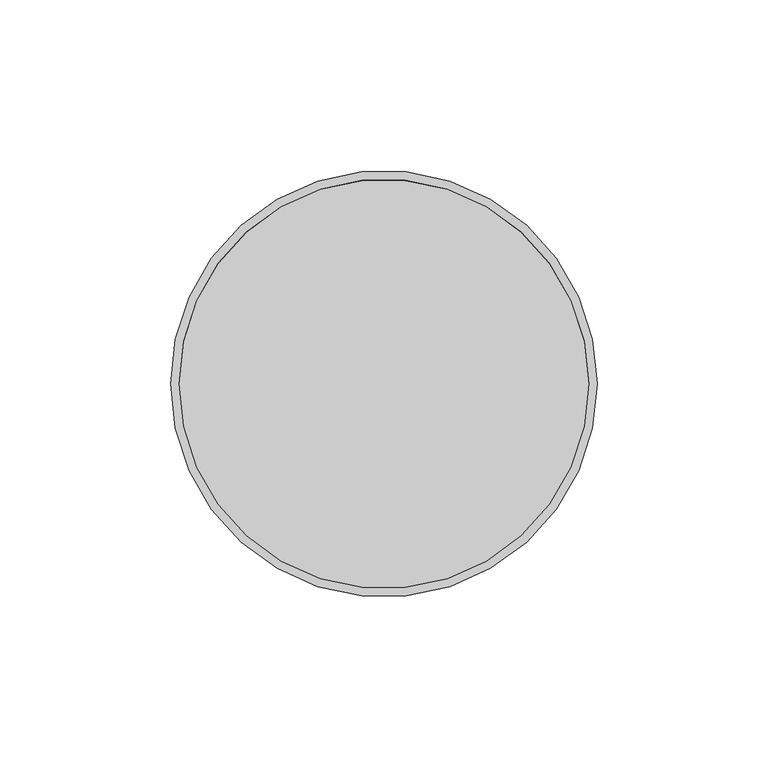
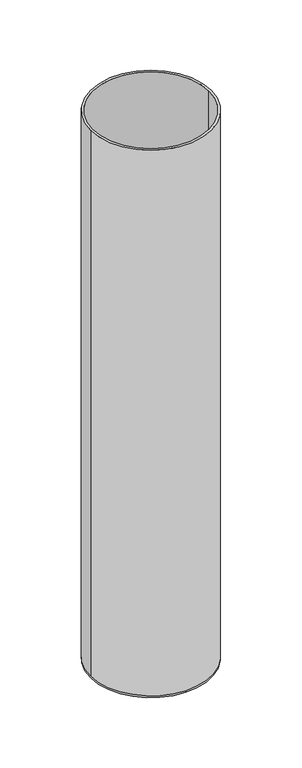
"""IFC4 building model written with IfcOpenShell, lengths in millimetres: beam geometry."""

import ifcopenshell
import ifcopenshell.guid

model = None  # the IFC model being written
_history = None  # IfcOwnerHistory: only IFC2X3 demands one
_inside = {}  # id of a spatial element -> (the spatial element, [elements in it])
_under = {}  # id of a project, library or spatial element -> (it, [spatial elements below it])
_declared = {}  # id of a project -> (the project, [libraries it declares])
_typed = {}  # id of a type object -> (the type object, [elements of that type])
_made_of = {}  # id of a material, layer set ... -> (it, [elements and type objects made of it])


def new_model(schema):
    """Start an empty IFC model of exactly this schema.

    Asked for "IFC4X3", IfcOpenShell would pick the latest addendum, in which some entities
    have other attributes; the version numbers below select the first issue.
    IFC2X3 requires an IfcOwnerHistory on every rooted entity: one is made here for all.
    """
    global model, _history
    if schema == "IFC4X3":
        model = ifcopenshell.file(schema_version=(4, 3, 0, 0))
    else:
        model = ifcopenshell.file(schema=schema)
    _inside.clear()
    _under.clear()
    _declared.clear()
    _typed.clear()
    _made_of.clear()
    _history = None
    if model.schema == "IFC2X3":
        org = make("IfcOrganization", Name="unknown")
        user = make(
            "IfcPersonAndOrganization",
            ThePerson=make("IfcPerson", FamilyName="unknown"),
            TheOrganization=org,
        )
        app = make(
            "IfcApplication",
            ApplicationDeveloper=org,
            Version="unknown",
            ApplicationFullName="unknown",
            ApplicationIdentifier="unknown",
        )
        _history = make(
            "IfcOwnerHistory",
            OwningUser=user,
            OwningApplication=app,
            ChangeAction="ADDED",
            CreationDate=0,
        )
    return model


def make(cls, **values):
    """One entity of the class cls with the attributes given. An attribute that is None is left unset."""
    return model.create_entity(
        cls, **{name: value for name, value in values.items() if value is not None}
    )


def rooted(cls, **values):
    """An entity with a GlobalId (a new one), such as an element, a storey or a relation."""
    return make(cls, GlobalId=ifcopenshell.guid.new(), OwnerHistory=_history, **values)


def si_unit(unit_type, name, prefix=None):
    """IfcSIUnit, for example si_unit("LENGTHUNIT", "METRE", prefix="MILLI")."""
    return make("IfcSIUnit", UnitType=unit_type, Prefix=prefix, Name=name)


def assignment(units):
    """IfcUnitAssignment: the units of a project."""
    return None if units is None else make("IfcUnitAssignment", Units=units)


def point(xyz):
    """IfcCartesianPoint."""
    return None if xyz is None else make("IfcCartesianPoint", Coordinates=xyz)


def direction(xyz):
    """IfcDirection."""
    return None if xyz is None else make("IfcDirection", DirectionRatios=xyz)


def frame(location, z_axis=None, x_axis=None):
    """IfcAxis2Placement3D, a coordinate frame: its origin and axes. An axis left out is left unset."""
    return make(
        "IfcAxis2Placement3D",
        Location=point(location),
        Axis=direction(z_axis),
        RefDirection=direction(x_axis),
    )


def origin():
    """The frame at (0, 0, 0) with its axes left unset."""
    return frame((0.0, 0.0, 0.0))


def place(relative_to, where):
    """IfcLocalPlacement: puts the frame where relative to a parent placement (None: the world)."""
    return make(
        "IfcLocalPlacement", PlacementRelTo=relative_to, RelativePlacement=where
    )


def context(
    kind, dimensions, precision=None, world=None, true_north=None, identifier=None
):
    """IfcGeometricRepresentationContext, for example the 3D "Model" context."""
    return make(
        "IfcGeometricRepresentationContext",
        ContextIdentifier=identifier,
        ContextType=kind,
        CoordinateSpaceDimension=dimensions,
        Precision=precision,
        WorldCoordinateSystem=world,
        TrueNorth=true_north,
    )


def project(units=None, contexts=None):
    """IfcProject with its units and contexts."""
    return rooted(
        "IfcProject",
        Name="project",
        RepresentationContexts=contexts,
        UnitsInContext=assignment(units),
    )


def spatial(cls, under=None, at=None, **own):
    """A site, building, storey or space (cls), placed at a placement, below another one or the project."""
    s = rooted(cls, ObjectPlacement=at, **own)
    if under is not None:
        _under.setdefault(under.id(), (under, []))[1].append(s)
    return s


def polyline(points):
    """IfcPolyline through the points."""
    return make("IfcPolyline", Points=[point(p) for p in points])


def circle_curve(where, radius):
    """IfcCircle in the frame where."""
    return make("IfcCircle", Position=where, Radius=radius)


def shape(context_of_items, identifier, shape_type, items):
    """IfcShapeRepresentation: the items that make up one representation, for example the "Body"."""
    return make(
        "IfcShapeRepresentation",
        ContextOfItems=context_of_items,
        RepresentationIdentifier=identifier,
        RepresentationType=shape_type,
        Items=items,
    )


def source(mapping_origin, context_of_items, identifier, shape_type, items):
    """IfcRepresentationMap: a shape defined once, which mapped items show again and again."""
    return make(
        "IfcRepresentationMap",
        MappingOrigin=mapping_origin,
        MappedRepresentation=shape(context_of_items, identifier, shape_type, items),
    )


def transform(
    local_origin,
    x_axis=None,
    y_axis=None,
    z_axis=None,
    scale=None,
    scale2=None,
    scale3=None,
    uniform=True,
):
    """IfcCartesianTransformationOperator3D, or its non-uniform kind. x_axis, y_axis, z_axis: its Axis1, 2, 3."""
    if uniform:
        return make(
            "IfcCartesianTransformationOperator3D",
            Axis1=direction(x_axis),
            Axis2=direction(y_axis),
            LocalOrigin=point(local_origin),
            Scale=scale,
            Axis3=direction(z_axis),
        )
    return make(
        "IfcCartesianTransformationOperator3DnonUniform",
        Axis1=direction(x_axis),
        Axis2=direction(y_axis),
        LocalOrigin=point(local_origin),
        Scale=scale,
        Axis3=direction(z_axis),
        Scale2=scale2,
        Scale3=scale3,
    )


def mapped(mapping_source, mapping_target):
    """IfcMappedItem: shows the shape of a source again, moved by a transform."""
    return make(
        "IfcMappedItem", MappingSource=mapping_source, MappingTarget=mapping_target
    )


def made_of(thing, what):
    """Note that an element or type object is made of a material, layer set ...; save() writes the relation."""
    if what is not None:
        _made_of.setdefault(what.id(), (what, []))[1].append(thing)
    return thing


def element(
    cls,
    number,
    at=None,
    inside=None,
    cuts=None,
    type_object=None,
    material=None,
    context=None,
    identifier="Body",
    shape_type=None,
    held_by="IfcProductDefinitionShape",
    body=None,
    shapes=None,
    **own,
):
    """One element of the class cls, such as IfcWall. Its Tag is "e" and its number.

    at: its placement. inside: the storey or other place that contains it. cuts: it is an
    opening in that element (IfcRelVoidsElement). A single representation is given by context,
    identifier, shape_type and body (its items); several are given by shapes. held_by: the class
    of the entity that holds the representations. save() writes the other relations.
    """
    e = rooted(cls, Tag="e%d" % number, ObjectPlacement=at, **own)
    if body is not None:
        shapes = [shape(context, identifier, shape_type, body)]
    if shapes is not None:
        e.Representation = make(held_by, Representations=shapes)
    if inside is not None:
        _inside.setdefault(inside.id(), (inside, []))[1].append(e)
    if cuts is not None:
        rooted(
            "IfcRelVoidsElement", RelatingBuildingElement=cuts, RelatedOpeningElement=e
        )
    if type_object is not None:
        _typed.setdefault(type_object.id(), (type_object, []))[1].append(e)
    return made_of(e, material)


def aggregate(whole, parts):
    """IfcRelAggregates: a whole, such as a stair, and the parts it consists of."""
    return rooted("IfcRelAggregates", RelatingObject=whole, RelatedObjects=parts)


def save(model, path):
    """Write the relations noted so far, then the file.

    IfcRelAggregates (storeys below a building ...), IfcRelContainedInSpatialStructure (elements
    in a storey), IfcRelDefinesByType, IfcRelAssociatesMaterial and IfcRelDeclares: one each for
    every whole, place, type object, material and project.
    """
    for whole, parts in _under.values():
        aggregate(whole, parts)
    for where, things in _inside.values():
        rooted(
            "IfcRelContainedInSpatialStructure",
            RelatedElements=things,
            RelatingStructure=where,
        )
    for kind, things in _typed.values():
        rooted("IfcRelDefinesByType", RelatedObjects=things, RelatingType=kind)
    for what, things in _made_of.values():
        rooted("IfcRelAssociatesMaterial", RelatedObjects=things, RelatingMaterial=what)
    for by, libraries in _declared.values():
        rooted("IfcRelDeclares", RelatingContext=by, RelatedDefinitions=libraries)
    model.write(path)


def plane_surface(at):
    """IfcPlane: the flat surface through the origin of the frame at, square to its z axis."""
    return make("IfcPlane", Position=at)


def cylinder_surface(at, radius):
    """IfcCylindricalSurface: all points at the distance radius from the z axis of the frame at."""
    return make("IfcCylindricalSurface", Position=at, Radius=radius)


def revolved_surface(curve, axis_point, axis_direction):
    """IfcSurfaceOfRevolution: the curve turned about the line through axis_point along axis_direction."""
    return make(
        "IfcSurfaceOfRevolution",
        SweptCurve=make("IfcArbitraryOpenProfileDef", ProfileType="CURVE", Curve=curve),
        AxisPosition=make("IfcAxis1Placement", Location=point(axis_point), Axis=direction(axis_direction)),
    )


def advanced_brep(points, edges, surfaces, faces):
    """IfcAdvancedBrep: a solid bounded by faces that lie on surfaces and meet in shared edges.

    An edge is (start, end): straight between two places in points (the first is 0);
    or (start, end, curve); or (start, end, curve, False) where it runs against its curve.
    A face is (place in surfaces, loops), or (place, loops, False) where it looks against
    its surface's normal. A loop lists edges by number (the first is 1), with a minus sign
    where the edge is run from its end to its start. The first loop is the outer one.
    """
    corners = [point(p) for p in points]
    vertices = [make("IfcVertexPoint", VertexGeometry=c) for c in corners]
    made = []
    for start, end, *more in edges:
        made.append(
            make(
                "IfcEdgeCurve",
                EdgeStart=vertices[start],
                EdgeEnd=vertices[end],
                EdgeGeometry=more[0] if more else make("IfcPolyline", Points=[corners[start], corners[end]]),
                SameSense=more[1] if len(more) > 1 else True,
            )
        )
    hull = []
    for where, loops, *sense in faces:
        bounds = []
        for j, loop in enumerate(loops):
            ring = [make("IfcOrientedEdge", EdgeElement=made[abs(k) - 1], Orientation=k > 0) for k in loop]
            bounds.append(
                make(
                    "IfcFaceOuterBound" if j == 0 else "IfcFaceBound",
                    Bound=make("IfcEdgeLoop", EdgeList=ring),
                    Orientation=True,
                )
            )
        hull.append(make("IfcAdvancedFace", Bounds=bounds, FaceSurface=surfaces[where], SameSense=sense[0] if sense else True))
    return make("IfcAdvancedBrep", Outer=make("IfcClosedShell", CfsFaces=hull))


def beam_b87d7553(model_context):
    return source(origin(), model_context, "Body", "AdvancedBrep", [
        advanced_brep(
        [(62.5, 0.0, 0.0), (-62.5, 0.0, 0.0), (60.0, 0.0, 0.0), (-60.0, 0.0, 0.0), (60.0, 0.0, -598.0), (-60.0, 0.0, -598.0), (62.5, 0.0, -598.0), (0.0, 62.5, -598.0), (-62.5, 0.0, -598.0), (0.0, -62.5, -598.0), (0.0, 62.5, -600.0), (0.0, -62.5, -600.0)],
        [
            (0, 1, circle_curve(frame((0.0, 0.0, 0.0), z_axis=(0.0, 0.0, 1.0), x_axis=(-1.0, 0.0, 0.0)), 62.5)),
            (1, 0, circle_curve(frame((0.0, 0.0, 0.0), z_axis=(0.0, 0.0, 1.0), x_axis=(-1.0, 0.0, 0.0)), 62.5)),
            (2, 3, circle_curve(frame((0.0, 0.0, 0.0), z_axis=(0.0, 0.0, -1.0), x_axis=(-1.0, 0.0, 0.0)), 60.0)),
            (3, 2, circle_curve(frame((0.0, 0.0, 0.0), z_axis=(0.0, 0.0, -1.0), x_axis=(-1.0, 0.0, 0.0)), 60.0)),
            (2, 4),
            (4, 5, circle_curve(frame((0.0, 0.0, -598.0), z_axis=(0.0, 0.0, -1.0), x_axis=(-1.0, 0.0, 0.0)), 60.0)),
            (5, 3),
            (5, 4, circle_curve(frame((0.0, 0.0, -598.0), z_axis=(0.0, 0.0, -1.0), x_axis=(-1.0, 0.0, 0.0)), 60.0)),
            (0, 6),
            (6, 7, circle_curve(frame((0.0, 0.0, -598.0), z_axis=(0.0, 0.0, 1.0), x_axis=(-1.0, 0.0, 0.0)), 62.5)),
            (7, 8, circle_curve(frame((0.0, 0.0, -598.0), z_axis=(0.0, 0.0, 1.0), x_axis=(-1.0, 0.0, 0.0)), 62.5)),
            (8, 1),
            (8, 9, circle_curve(frame((0.0, 0.0, -598.0), z_axis=(0.0, 0.0, 1.0), x_axis=(-1.0, 0.0, 0.0)), 62.5)),
            (9, 6, circle_curve(frame((0.0, 0.0, -598.0), z_axis=(0.0, 0.0, 1.0), x_axis=(-1.0, 0.0, 0.0)), 62.5)),
            (10, 11, circle_curve(frame((0.0, 0.0, -600.0), z_axis=(0.0, 0.0, -1.0), x_axis=(0.0, -1.0, 0.0)), 62.5)),
            (11, 10, circle_curve(frame((0.0, 0.0, -600.0), z_axis=(0.0, 0.0, -1.0), x_axis=(0.0, -1.0, 0.0)), 62.5)),
            (11, 9),
            (7, 10),
        ],
        [
            plane_surface(frame((0.0, 0.0, 0.0), z_axis=(0.0, 0.0, 1.0), x_axis=(0.0, -1.0, 0.0))),
            revolved_surface(polyline([(-60.0, 0.0, 0.0), (-60.0, 0.0, -598.0)]), (0.0, 0.0, -598.0), (0.0, 0.0, 1.0)),
            cylinder_surface(frame((0.0, 0.0, -598.0), z_axis=(0.0, 0.0, -1.0), x_axis=(-1.0, 0.0, 0.0)), 62.5),
            plane_surface(frame((0.0, 0.0, -598.0), z_axis=(0.0, 0.0, 1.0), x_axis=(0.0, -1.0, 0.0))),
            plane_surface(frame((0.0, 0.0, -600.0), z_axis=(0.0, 0.0, -1.0), x_axis=(0.0, -1.0, 0.0))),
            cylinder_surface(frame((0.0, 0.0, -598.0), z_axis=(0.0, 0.0, 1.0), x_axis=(0.0, -1.0, 0.0)), 62.5),
        ],
        [
            (0, [[1, 2], [3, 4]]),
            (1, [[-3, 5, 6, 7]]),
            (1, [[-4, -7, 8, -5]]),
            (2, [[-1, 9, 10, 11, 12]]),
            (2, [[-2, -12, 13, 14, -9]]),
            (3, [[-6, -8]]),
            (4, [[15, 16]]),
            (5, [[-16, 17, -13, -11, 18]]),
            (5, [[-15, -18, -10, -14, -17]]),
        ],
    ),
    ])


if __name__ == "__main__":
    model = new_model("IFC4")
    model_context = context("Model", 3, world=origin())
    ifc_project = project(units=[si_unit("LENGTHUNIT", "METRE", prefix="MILLI")], contexts=[model_context])
    site = spatial("IfcSite", under=ifc_project)
    building = spatial("IfcBuilding", under=site)
    placement = place(None, origin())
    beam_shape = beam_b87d7553(model_context)
    element("IfcBeam", 1, at=placement, inside=building, context=model_context, shape_type="MappedRepresentation", body=[
        mapped(beam_shape, transform((0.0, 0.0, 0.0), x_axis=(1.0, 0.0, 0.0), y_axis=(0.0, 1.0, 0.0), z_axis=(0.0, 0.0, 1.0))),
    ])
    save(model, "model.ifc")
